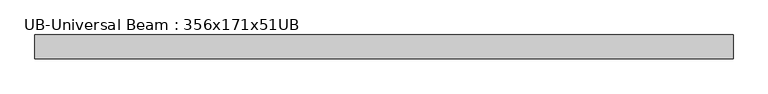
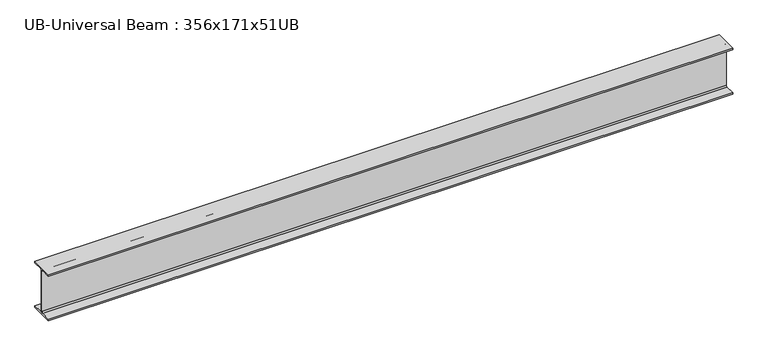
"""IFC4 building model written with IfcOpenShell, lengths in millimetres: beam geometry, UB-Universal Beam : 356x171x51UB."""

from ifc_helpers import new_model, si_unit, point, frame, frame_2d, origin, place, context, project, spatial, polyline, circle_curve, trimmed, segment, composite_curve, outline, extrude, source, transform, mapped, element, save


def ub_universal_beam_356x171x51ub_37f1cdc9(model_context):
    return source(origin(), model_context, "Body", "SweptSolid", [
        extrude(outline(composite_curve([segment(polyline([(85.75, -166.0), (85.75, -177.5), (-85.75, -177.5), (-85.75, -166.0), (-13.9, -166.0)]), True, "CONTINUOUS"), segment(trimmed(circle_curve(frame_2d((-13.9, -155.8)), 10.2), [point((-13.9, -166.0))], [point((-3.7, -155.8))], True, "CARTESIAN"), True, "CONTINUOUS"), segment(polyline([(-3.7, -155.8), (-3.7, 155.8)]), True, "CONTINUOUS"), segment(trimmed(circle_curve(frame_2d((-13.9, 155.8)), 10.2), [point((-3.7, 155.8))], [point((-13.9, 166.0))], True, "CARTESIAN"), True, "CONTINUOUS"), segment(polyline([(-13.9, 166.0), (-85.75, 166.0), (-85.75, 177.5), (85.75, 177.5), (85.75, 166.0), (13.9, 166.0)]), True, "CONTINUOUS"), segment(trimmed(circle_curve(frame_2d((13.9, 155.8)), 10.2), [point((13.9, 166.0))], [point((3.7, 155.8))], True, "CARTESIAN"), True, "CONTINUOUS"), segment(polyline([(3.7, 155.8), (3.7, -155.8)]), True, "CONTINUOUS"), segment(trimmed(circle_curve(frame_2d((13.9, -155.8)), 10.2), [point((3.7, -155.8))], [point((13.9, -166.0))], True, "CARTESIAN"), True, "CONTINUOUS"), segment(polyline([(13.9, -166.0), (85.75, -166.0)]), True, "CONTINUOUS")], self_intersect=False)), frame((-2419.9117034, 0.0, 0.0), z_axis=(1.0, 0.0, 0.0), x_axis=(0.0, 1.0, 0.0)), (0.0, 0.0, 1.0), 4997.5234069),
    ])


if __name__ == "__main__":
    model = new_model("IFC4")
    model_context = context("Model", 3, world=origin())
    ifc_project = project(units=[si_unit("LENGTHUNIT", "METRE", prefix="MILLI")], contexts=[model_context])
    site = spatial("IfcSite", under=ifc_project)
    building = spatial("IfcBuilding", under=site)
    placement = place(None, origin())
    ub_universal_beam_356x171x51ub_shape = ub_universal_beam_356x171x51ub_37f1cdc9(model_context)
    element("IfcBeam", 1, ObjectType="UB-Universal Beam : 356x171x51UB", at=placement, inside=building, context=model_context, shape_type="MappedRepresentation", body=[
        mapped(ub_universal_beam_356x171x51ub_shape, transform((0.0, 0.0, 0.0), x_axis=(1.0, 0.0, 0.0), y_axis=(0.0, 1.0, 0.0), z_axis=(0.0, 0.0, 1.0))),
    ])
    save(model, "model.ifc")
